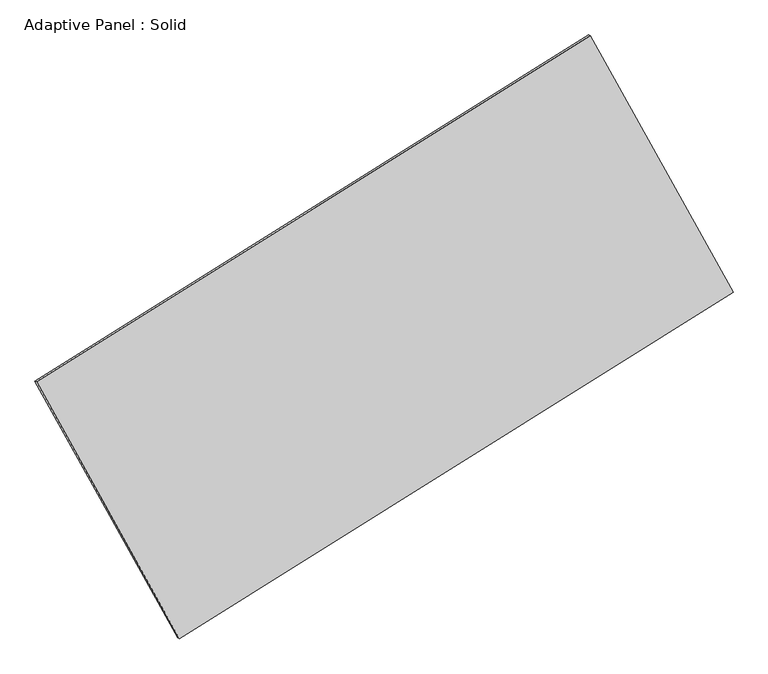
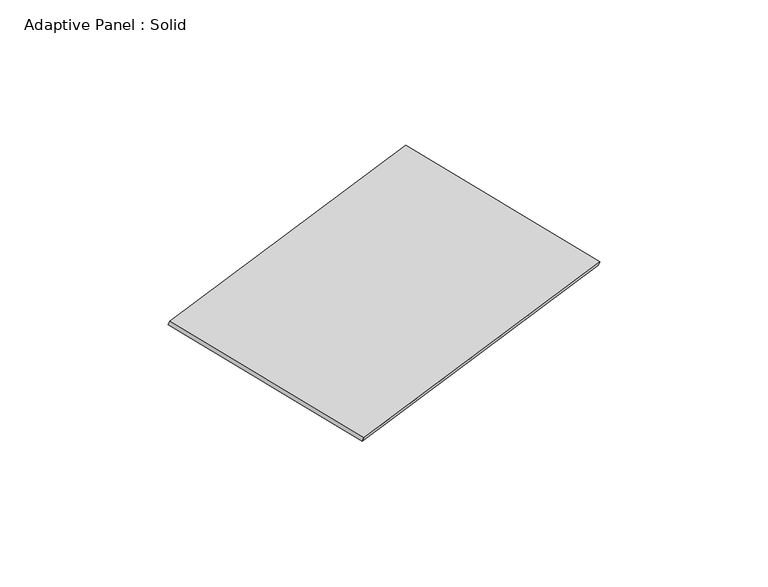
"""IFC4 building model written with IfcOpenShell, lengths in millimetres: plate geometry, Adaptive Panel : Solid."""

from ifc_helpers import new_model, si_unit, frame, origin, place, context, project, spatial, polyline, outline, extrude, source, transform, mapped, element, save


def adaptive_panel_solid_54c9b2f9(model_context):
    return source(origin(), model_context, "Body", "SweptSolid", [
        extrude(outline(polyline([(-1346.1612185, 2941.7412511), (1345.5681771, 2941.7412511), (1346.1611912, -2941.4699312), (-1345.5681497, -2942.0125713), (-1346.1612185, 2941.7412511)])), frame((-650.8226445, -100.0621432, 871.2806301), z_axis=(0.2933271166111781, -0.12760186928687275, 0.947458160350666), x_axis=(0.4692321596269677, -0.8442476865506147, -0.25897301814232904)), (0.0, 0.0, 1.0), 50.0),
    ])


if __name__ == "__main__":
    model = new_model("IFC4")
    model_context = context("Model", 3, world=origin())
    ifc_project = project(units=[si_unit("LENGTHUNIT", "METRE", prefix="MILLI")], contexts=[model_context])
    site = spatial("IfcSite", under=ifc_project)
    building = spatial("IfcBuilding", under=site)
    placement = place(None, origin())
    adaptive_panel_solid_shape = adaptive_panel_solid_54c9b2f9(model_context)
    element("IfcPlate", 1, ObjectType="Adaptive Panel : Solid", at=placement, inside=building, context=model_context, shape_type="MappedRepresentation", body=[
        mapped(adaptive_panel_solid_shape, transform((0.0, 0.0, 0.0), x_axis=(1.0, 0.0, 0.0), y_axis=(0.0, 1.0, 0.0), z_axis=(0.0, 0.0, 1.0))),
    ])
    save(model, "model.ifc")
